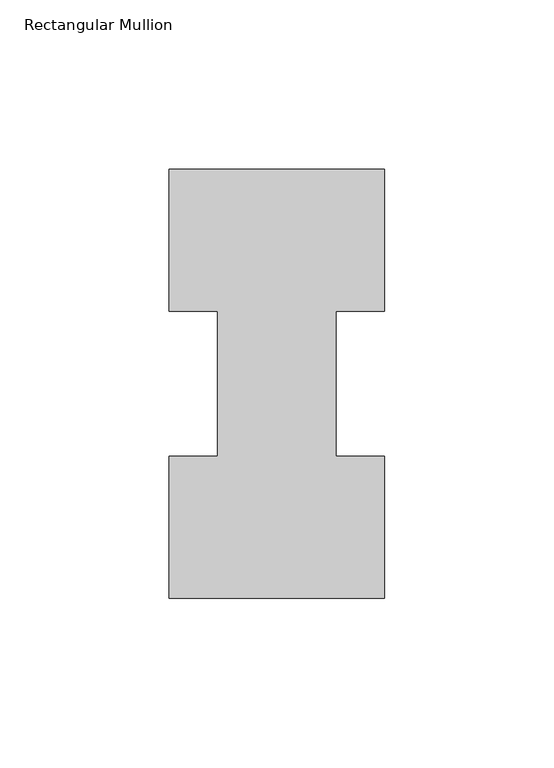
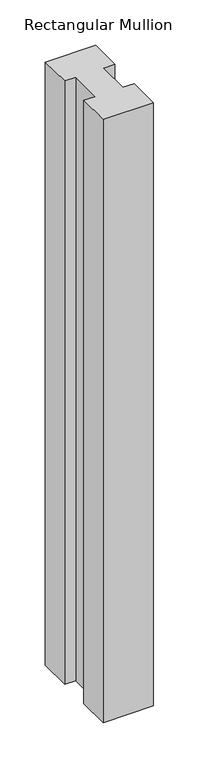
"""IFC4 building model written with IfcOpenShell, lengths in millimetres: member geometry, Rectangular Mullion."""

from ifc_helpers import new_model, si_unit, frame, origin, place, context, project, spatial, polyline, outline, extrude, source, transform, mapped, element, save


def rectangular_mullion_645ac7d6(model_context):
    return source(origin(), model_context, "Body", "SweptSolid", [
        extrude(outline(polyline([(-63.5, 0.2967757), (-63.5, 42.1178757), (-49.2125, 42.1178757), (-49.2125, 84.93125), (-63.5, 84.93125), (-63.5, 126.7887757), (0.0, 126.7887757), (0.0, 84.93125), (-14.2748, 84.93125), (-14.2748, 42.1178757), (0.0, 42.1178757), (0.0, 0.2967757), (-63.5, 0.2967757)])), frame((0.0, 0.0, -809.6247287), z_axis=(0.0, 0.0, 1.0), x_axis=(1.0, 0.0, 0.0)), (0.0, 0.0, 1.0), 809.6247287),
    ])


if __name__ == "__main__":
    model = new_model("IFC4")
    model_context = context("Model", 3, world=origin())
    ifc_project = project(units=[si_unit("LENGTHUNIT", "METRE", prefix="MILLI")], contexts=[model_context])
    site = spatial("IfcSite", under=ifc_project)
    building = spatial("IfcBuilding", under=site)
    placement = place(None, origin())
    rectangular_mullion_shape = rectangular_mullion_645ac7d6(model_context)
    element("IfcMember", 1, ObjectType="Rectangular Mullion", at=placement, inside=building, context=model_context, shape_type="MappedRepresentation", body=[
        mapped(rectangular_mullion_shape, transform((0.0, 0.0, 0.0), x_axis=(1.0, 0.0, 0.0), y_axis=(0.0, 1.0, 0.0), z_axis=(0.0, 0.0, 1.0))),
    ])
    save(model, "model.ifc")
